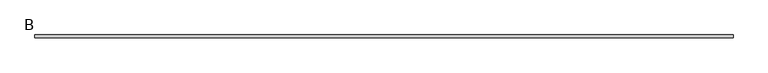
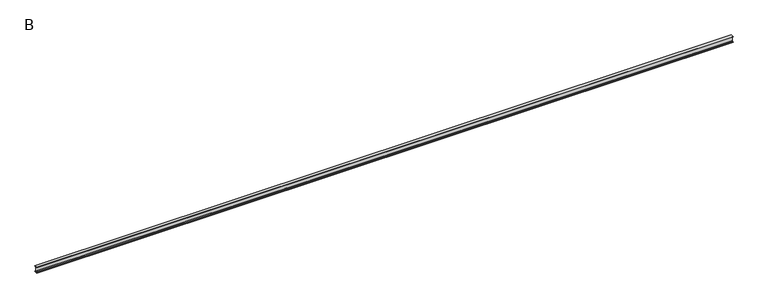
"""IFC4 building model written with IfcOpenShell, lengths in millimetres: beam geometry, B."""

from ifc_helpers import new_model, si_unit, point, frame, frame_2d, origin, place, context, project, spatial, polyline, circle_curve, trimmed, segment, composite_curve, outline, extrude, source, transform, mapped, element, save


def b_057ca13a(model_context):
    return source(origin(), model_context, "Body", "SweptSolid", [
        extrude(outline(composite_curve([segment(polyline([(25.0, 50.0), (25.0, 48.5034153)]), True, "CONTINUOUS"), segment(trimmed(circle_curve(frame_2d((20.5, 48.5034153)), 4.5), [point((25.0, 48.5034153))], [point((21.126279, 44.047209))], False, "CARTESIAN"), True, "CONTINUOUS"), segment(polyline([(21.126279, 44.047209), (10.0974421, 42.497207)]), True, "CONTINUOUS"), segment(trimmed(circle_curve(frame_2d((11.35, 33.5847944)), 9.0), [point((10.0974421, 42.497207))], [point((2.35, 33.5847944))], True, "CARTESIAN"), True, "CONTINUOUS"), segment(polyline([(2.35, 33.5847944), (2.35, -33.5847944)]), True, "CONTINUOUS"), segment(trimmed(circle_curve(frame_2d((11.35, -33.5847944)), 9.0), [point((2.35, -33.5847944))], [point((10.0974421, -42.497207))], True, "CARTESIAN"), True, "CONTINUOUS"), segment(polyline([(10.0974421, -42.497207), (21.126279, -44.047209)]), True, "CONTINUOUS"), segment(trimmed(circle_curve(frame_2d((20.5, -48.5034153)), 4.5), [point((21.126279, -44.047209))], [point((25.0, -48.5034153))], False, "CARTESIAN"), True, "CONTINUOUS"), segment(polyline([(25.0, -48.5034153), (25.0, -50.0), (-25.0, -50.0), (-25.0, -48.5034153)]), True, "CONTINUOUS"), segment(trimmed(circle_curve(frame_2d((-20.5, -48.5034153)), 4.5), [point((-25.0, -48.5034153))], [point((-21.126279, -44.047209))], False, "CARTESIAN"), True, "CONTINUOUS"), segment(polyline([(-21.126279, -44.047209), (-10.0974421, -42.497207)]), True, "CONTINUOUS"), segment(trimmed(circle_curve(frame_2d((-11.35, -33.5847944)), 9.0), [point((-10.0974421, -42.497207))], [point((-2.35, -33.5847944))], True, "CARTESIAN"), True, "CONTINUOUS"), segment(polyline([(-2.35, -33.5847944), (-2.35, 33.5847944)]), True, "CONTINUOUS"), segment(trimmed(circle_curve(frame_2d((-11.35, 33.5847944)), 9.0), [point((-2.35, 33.5847944))], [point((-10.0974421, 42.497207))], True, "CARTESIAN"), True, "CONTINUOUS"), segment(polyline([(-10.0974421, 42.497207), (-21.126279, 44.047209)]), True, "CONTINUOUS"), segment(trimmed(circle_curve(frame_2d((-20.5, 48.5034153)), 4.5), [point((-21.126279, 44.047209))], [point((-25.0, 48.5034153))], False, "CARTESIAN"), True, "CONTINUOUS"), segment(polyline([(-25.0, 48.5034153), (-25.0, 50.0), (25.0, 50.0)]), True, "CONTINUOUS")], self_intersect=False)), frame((-5756.8, 0.0, 0.0), z_axis=(1.0, 0.0, 0.0), x_axis=(0.0, 1.0, 0.0)), (0.0, 0.0, 1.0), 11453.6),
    ])


if __name__ == "__main__":
    model = new_model("IFC4")
    model_context = context("Model", 3, world=origin())
    ifc_project = project(units=[si_unit("LENGTHUNIT", "METRE", prefix="MILLI")], contexts=[model_context])
    site = spatial("IfcSite", under=ifc_project)
    building = spatial("IfcBuilding", under=site)
    placement = place(None, origin())
    b_shape = b_057ca13a(model_context)
    element("IfcBeam", 1, ObjectType="B", at=placement, inside=building, context=model_context, shape_type="MappedRepresentation", body=[
        mapped(b_shape, transform((0.0, 0.0, 0.0), x_axis=(1.0, 0.0, 0.0), y_axis=(0.0, 1.0, 0.0), z_axis=(0.0, 0.0, 1.0))),
    ])
    save(model, "model.ifc")
